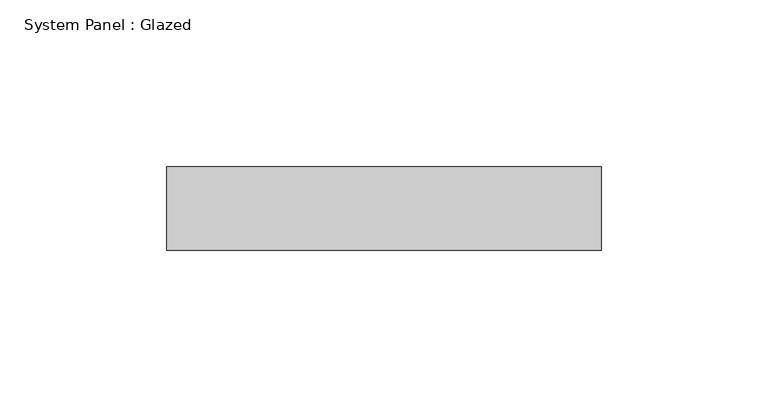
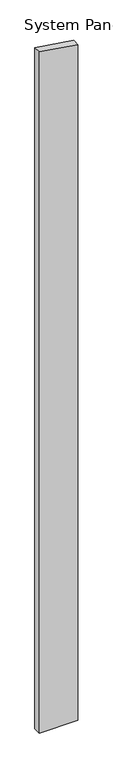
"""IFC4 building model written with IfcOpenShell, lengths in millimetres: plate geometry, System Panel : Glazed."""

from ifc_helpers import new_model, si_unit, frame, origin, place, context, project, spatial, polyline, outline, extrude, source, transform, mapped, element, save


def system_panel_glazed_eda03fb6(model_context):
    return source(origin(), model_context, "Body", "SweptSolid", [
        extrude(outline(polyline([(0.0, -65.0), (0.0, 65.0), (2401.8021214, 65.0), (2421.0252335, -65.0), (0.0, -65.0)])), frame((0.0, 24.5, 0.0), z_axis=(0.0, 1.0, 0.0), x_axis=(0.0, 0.0, 1.0)), (0.0, 0.0, 1.0), 25.0),
    ])


if __name__ == "__main__":
    model = new_model("IFC4")
    model_context = context("Model", 3, world=origin())
    ifc_project = project(units=[si_unit("LENGTHUNIT", "METRE", prefix="MILLI")], contexts=[model_context])
    site = spatial("IfcSite", under=ifc_project)
    building = spatial("IfcBuilding", under=site)
    placement = place(None, origin())
    system_panel_glazed_shape = system_panel_glazed_eda03fb6(model_context)
    element("IfcPlate", 1, ObjectType="System Panel : Glazed", at=placement, inside=building, context=model_context, shape_type="MappedRepresentation", body=[
        mapped(system_panel_glazed_shape, transform((0.0, 0.0, 0.0), x_axis=(1.0, 0.0, 0.0), y_axis=(0.0, 1.0, 0.0), z_axis=(0.0, 0.0, 1.0))),
    ])
    save(model, "model.ifc")
